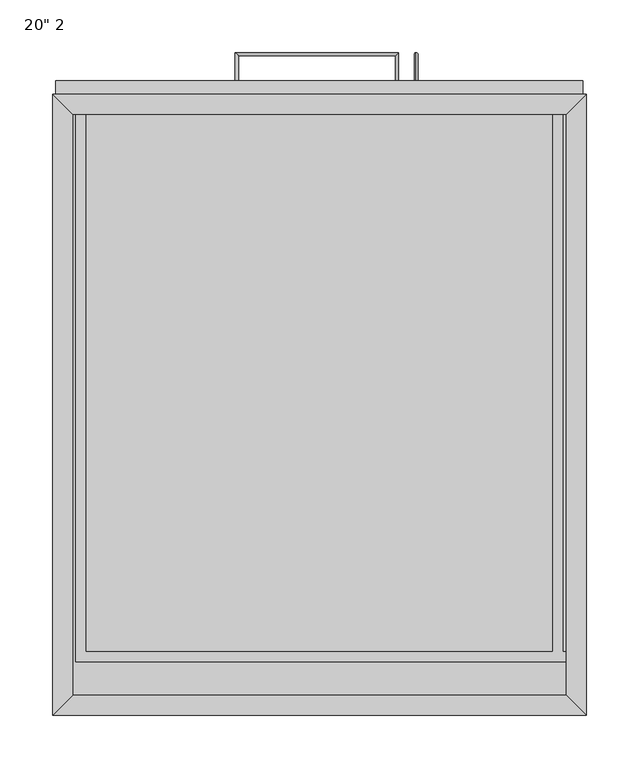
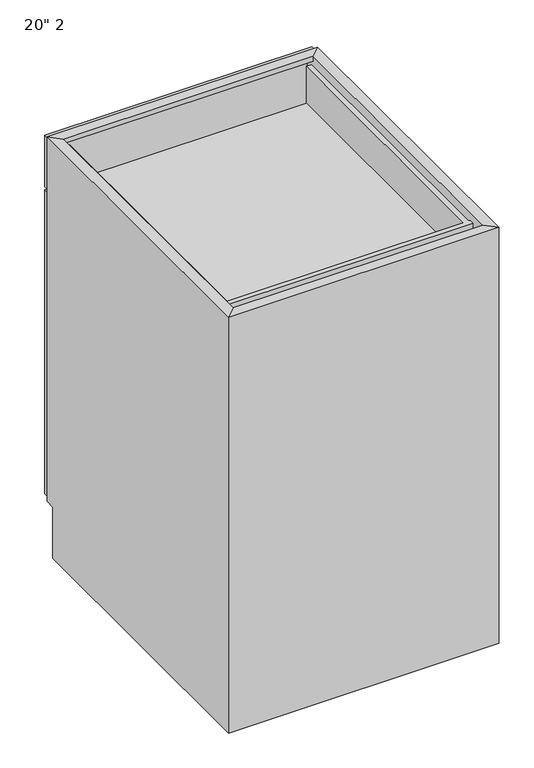
"""IFC4 building model written with IfcOpenShell, lengths in millimetres: furniture geometry."""

from ifc_helpers import new_model, si_unit, frame, origin, place, context, project, spatial, polyline, circle_curve, ellipse_curve, outline, extrude, faceted_brep, source, transform, mapped, element, save
from ifc_brep_helpers import plane_surface, cylinder_surface, advanced_brep


def furniture_9de0f85e(model_context):
    return source(origin(), model_context, "Body", "SolidModel", [
        advanced_brep(
        [(110.8127049, 603.25, 611.1875), (110.8127049, 603.25, 608.0125), (110.8127049, 627.0625, 608.0125), (110.8127049, 630.2375, 611.1875), (110.8127049, 627.0625, 458.7875), (110.8127049, 630.2375, 455.6125), (110.8127049, 603.25, 455.6125), (110.8127049, 603.25, 458.7875)],
        [
            (0, 1, circle_curve(frame((110.8127049, 603.25, 609.6), z_axis=(0.0, -1.0, 0.0), x_axis=(0.0, 0.0, -1.0)), 1.5875)),
            (1, 0, circle_curve(frame((110.8127049, 603.25, 609.6), z_axis=(0.0, -1.0, 0.0), x_axis=(0.0, 0.0, -1.0)), 1.5875)),
            (1, 2),
            (2, 3, ellipse_curve(frame((110.8127049, 628.65, 609.6), z_axis=(0.0, -0.7071067811865475, 0.7071067811865475), x_axis=(0.0, -0.7071067811865476, -0.7071067811865474)), 2.245064, 1.5875)),
            (3, 0),
            (3, 2, ellipse_curve(frame((110.8127049, 628.65, 609.6), z_axis=(0.0, -0.7071067811865475, 0.7071067811865475), x_axis=(0.0, -0.7071067811865476, -0.7071067811865474)), 2.245064, 1.5875)),
            (2, 4),
            (4, 5, ellipse_curve(frame((110.8127049, 628.65, 457.2), z_axis=(0.0, 0.7071067811865475, 0.7071067811865475), x_axis=(0.0, -0.7071067811865474, 0.7071067811865476)), 2.245064, 1.5875)),
            (5, 3),
            (5, 4, ellipse_curve(frame((110.8127049, 628.65, 457.2), z_axis=(0.0, 0.7071067811865475, 0.7071067811865475), x_axis=(0.0, -0.7071067811865474, 0.7071067811865476)), 2.245064, 1.5875)),
            (6, 7, circle_curve(frame((110.8127049, 603.25, 457.2), z_axis=(0.0, -1.0, 0.0), x_axis=(0.0, 0.0, 1.0)), 1.5875)),
            (7, 6, circle_curve(frame((110.8127049, 603.25, 457.2), z_axis=(0.0, -1.0, 0.0), x_axis=(0.0, 0.0, 1.0)), 1.5875)),
            (4, 7),
            (6, 5),
        ],
        [
            plane_surface(frame((110.8127049, 603.25, 609.6), z_axis=(0.0, -1.0, 0.0), x_axis=(1.0, 0.0, 0.0))),
            cylinder_surface(frame((110.8127049, 603.25, 609.6), z_axis=(0.0, -1.0, 0.0), x_axis=(0.0, 0.0, -1.0)), 1.5875),
            cylinder_surface(frame((110.8127049, 628.65, 609.6), z_axis=(0.0, 0.0, 1.0), x_axis=(0.0, -1.0, 0.0)), 1.5875),
            plane_surface(frame((110.8127049, 603.25, 457.2), z_axis=(0.0, -1.0, 0.0), x_axis=(1.0, 0.0, 0.0))),
            cylinder_surface(frame((110.8127049, 628.65, 457.2), z_axis=(0.0, 1.0, 0.0), x_axis=(0.0, 0.0, 1.0)), 1.5875),
        ],
        [
            (0, [[1, 2]]),
            (1, [[3, 4, 5, -2]]),
            (1, [[-5, 6, -3, -1]]),
            (2, [[7, 8, 9, -4]]),
            (2, [[-9, 10, -7, -6]]),
            (3, [[11, 12]]),
            (4, [[13, -11, 14, -8]]),
            (4, [[-14, -12, -13, -10]]),
        ],
    ),
        extrude(outline(polyline([(269.5627049, 603.25), (269.5627049, 590.55), (-232.0872951, 590.55), (-232.0872951, 603.25), (269.5627049, 603.25)])), frame((0.0, 0.0, 107.95), z_axis=(0.0, 0.0, 1.0), x_axis=(1.0, 0.0, 0.0)), (0.0, 0.0, 1.0), 603.25),
        extrude(outline(polyline([(269.5627049, 603.25), (269.5627049, 590.55), (-232.0872951, 590.55), (-232.0872951, 603.25), (269.5627049, 603.25)])), frame((0.0, 0.0, 717.55), z_axis=(0.0, 0.0, 1.0), x_axis=(1.0, 0.0, 0.0)), (0.0, 0.0, 1.0), 101.6),
        advanced_brep(
        [(-61.4022887, 603.25, 768.5912891), (-58.2272887, 603.25, 768.5912891), (-58.2272887, 627.0625, 768.5912891), (-61.4022887, 630.2375, 768.5912891), (90.9977113, 627.0625, 768.5912891), (94.1727113, 630.2375, 768.5912891), (94.1727113, 603.25, 768.5912891), (90.9977113, 603.25, 768.5912891)],
        [
            (0, 1, circle_curve(frame((-59.8147887, 603.25, 768.5912891), z_axis=(0.0, -1.0, 0.0), x_axis=(1.0, 0.0, 0.0)), 1.5875)),
            (1, 0, circle_curve(frame((-59.8147887, 603.25, 768.5912891), z_axis=(0.0, -1.0, 0.0), x_axis=(1.0, 0.0, 0.0)), 1.5875)),
            (1, 2),
            (2, 3, ellipse_curve(frame((-59.8147887, 628.65, 768.5912891), z_axis=(-0.7071067811865475, -0.7071067811865475, 0.0), x_axis=(0.7071067811865474, -0.7071067811865476, 0.0)), 2.245064, 1.5875)),
            (3, 0),
            (3, 2, ellipse_curve(frame((-59.8147887, 628.65, 768.5912891), z_axis=(-0.7071067811865475, -0.7071067811865475, 0.0), x_axis=(0.7071067811865474, -0.7071067811865476, 0.0)), 2.245064, 1.5875)),
            (2, 4),
            (4, 5, ellipse_curve(frame((92.5852113, 628.65, 768.5912891), z_axis=(-0.7071067811865475, 0.7071067811865475, 0.0), x_axis=(-0.7071067811865476, -0.7071067811865474, 0.0)), 2.245064, 1.5875)),
            (5, 3),
            (5, 4, ellipse_curve(frame((92.5852113, 628.65, 768.5912891), z_axis=(-0.7071067811865475, 0.7071067811865475, 0.0), x_axis=(-0.7071067811865476, -0.7071067811865474, 0.0)), 2.245064, 1.5875)),
            (6, 7, circle_curve(frame((92.5852113, 603.25, 768.5912891), z_axis=(0.0, -1.0, 0.0), x_axis=(-1.0, 0.0, 0.0)), 1.5875)),
            (7, 6, circle_curve(frame((92.5852113, 603.25, 768.5912891), z_axis=(0.0, -1.0, 0.0), x_axis=(-1.0, 0.0, 0.0)), 1.5875)),
            (4, 7),
            (6, 5),
        ],
        [
            plane_surface(frame((-59.8147887, 603.25, 768.5912891), z_axis=(0.0, -1.0, 0.0), x_axis=(0.0, 0.0, 1.0))),
            cylinder_surface(frame((-59.8147887, 603.25, 768.5912891), z_axis=(0.0, -1.0, 0.0), x_axis=(1.0, 0.0, 0.0)), 1.5875),
            cylinder_surface(frame((-59.8147887, 628.65, 768.5912891), z_axis=(-1.0, 0.0, 0.0), x_axis=(0.0, -1.0, 0.0)), 1.5875),
            plane_surface(frame((92.5852113, 603.25, 768.5912891), z_axis=(0.0, -1.0, 0.0), x_axis=(0.0, 0.0, 1.0))),
            cylinder_surface(frame((92.5852113, 628.65, 768.5912891), z_axis=(0.0, 1.0, 0.0), x_axis=(-1.0, 0.0, 0.0)), 1.5875),
        ],
        [
            (0, [[1, 2]]),
            (1, [[3, 4, 5, -2]]),
            (1, [[-5, 6, -3, -1]]),
            (2, [[7, 8, 9, -4]]),
            (2, [[-9, 10, -7, -6]]),
            (3, [[11, 12]]),
            (4, [[13, -11, 14, -8]]),
            (4, [[-14, -12, -13, -10]]),
        ],
    ),
        faceted_brep([(253.6877049, 571.5, 101.6), (253.6877049, 571.5, 107.95), (-216.2122951, 571.5, 107.95), (-216.2122951, 571.5, 101.6), (-216.2122951, 571.5, 825.5), (-216.2122951, 571.5, 815.975), (253.6877049, 571.5, 815.975), (253.6877049, 571.5, 825.5), (-216.2122951, 571.5, 650.875), (253.6877049, 571.5, 650.875), (253.6877049, 571.5, 676.275), (-216.2122951, 571.5, 676.275), (272.7377049, 590.55, 825.5), (-235.2622951, 590.55, 825.5), (272.7377049, 590.55, 101.6), (-235.2622951, 590.55, 101.6), (-216.2122951, 590.55, 676.275), (253.6877049, 590.55, 676.275), (253.6877049, 590.55, 815.975), (-216.2122951, 590.55, 815.975), (-216.2122951, 590.55, 107.95), (253.6877049, 590.55, 107.95), (253.6877049, 590.55, 650.875), (-216.2122951, 590.55, 650.875), (-216.2122951, 19.05, 101.6), (-216.2122951, 19.05, 825.5), (-235.2622951, 0.0, 825.5), (-235.2622951, 571.5, 101.6), (-235.2622951, 571.5, 0.0), (-235.2622951, 0.0, 0.0), (253.6877049, 19.05, 825.5), (253.6877049, 19.05, 101.6), (272.7377049, 0.0, 825.5), (272.7377049, 0.0, 0.0), (272.7377049, 571.5, 0.0), (272.7377049, 571.5, 101.6)], [[[0, 1, 2, 3]], [[4, 5, 6, 7]], [[8, 9, 10, 11]], [[7, 12, 13, 4]], [[12, 14, 15, 13], [16, 17, 18, 19], [20, 21, 22, 23]], [[3, 15, 14, 0]], [[24, 3, 2, 20, 23, 8, 11, 16, 19, 5, 4, 25]], [[13, 26, 25, 4]], [[15, 27, 28, 29, 26, 13]], [[3, 27, 15]], [[25, 30, 31, 24]], [[26, 32, 30, 25]], [[26, 29, 33, 32]], [[30, 7, 6, 18, 17, 10, 9, 22, 21, 1, 0, 31]], [[7, 30, 32, 12]], [[12, 32, 33, 34, 35, 14]], [[14, 35, 0]], [[3, 24, 31, 0]], [[33, 29, 28, 34]], [[28, 27, 3, 0, 35, 34]], [[11, 10, 17, 16]], [[19, 18, 6, 5]], [[2, 1, 21, 20]], [[23, 22, 9, 8]]]),
        faceted_brep([(-213.0372951, 50.9683358, 727.075), (250.5127049, 50.9683358, 727.075), (250.5127049, 50.9683358, 736.6), (253.6877049, 50.9683358, 736.6), (253.6877049, 50.9683358, 809.625), (-213.0372951, 50.9683358, 809.625), (-213.0372951, 571.5, 809.625), (-213.0372951, 571.5, 727.075), (253.6877049, 60.4933358, 809.625), (250.5127049, 60.4933358, 809.625), (250.5127049, 571.5, 809.625), (240.9877049, 571.5, 809.625), (240.9877049, 60.4933358, 809.625), (-203.5122951, 60.4933358, 809.625), (-203.5122951, 571.5, 809.625), (-203.5122951, 60.4933358, 736.6), (-203.5122951, 571.5, 736.6), (240.9877049, 60.4933358, 736.6), (240.9877049, 571.5, 736.6), (250.5127049, 571.5, 727.075), (250.5127049, 60.4933358, 736.6), (253.6877049, 60.4933358, 736.6)], [[[0, 1, 2, 3, 4, 5]], [[5, 6, 7, 0]], [[8, 9, 10, 11, 12, 13, 14, 6, 5, 4]], [[15, 16, 14, 13]], [[17, 18, 16, 15]], [[12, 11, 18, 17]], [[1, 19, 10, 9, 20, 2]], [[0, 7, 19, 1]], [[3, 2, 20, 21]], [[21, 20, 9, 8]], [[12, 17, 15, 13]], [[4, 3, 21, 8]], [[6, 14, 16, 18, 11, 10, 19, 7]]]),
        extrude(outline(polyline([(253.6877049, 19.05), (-216.2122951, 19.05), (-216.2122951, 571.5), (253.6877049, 571.5), (253.6877049, 19.05)])), frame((0.0, 0.0, 101.6), z_axis=(0.0, 0.0, 1.0), x_axis=(1.0, 0.0, 0.0)), (0.0, 0.0, 1.0), 6.35),
    ])


if __name__ == "__main__":
    model = new_model("IFC4")
    model_context = context("Model", 3, world=origin())
    ifc_project = project(units=[si_unit("LENGTHUNIT", "METRE", prefix="MILLI")], contexts=[model_context])
    site = spatial("IfcSite", under=ifc_project)
    building = spatial("IfcBuilding", under=site)
    placement = place(None, origin())
    furniture_shape = furniture_9de0f85e(model_context)
    element("IfcFurniture", 1, ObjectType="20\" 2", at=placement, inside=building, context=model_context, shape_type="MappedRepresentation", body=[
        mapped(furniture_shape, transform((0.0, 0.0, 0.0), x_axis=(1.0, 0.0, 0.0), y_axis=(0.0, 1.0, 0.0), z_axis=(0.0, 0.0, 1.0))),
    ])
    save(model, "model.ifc")
